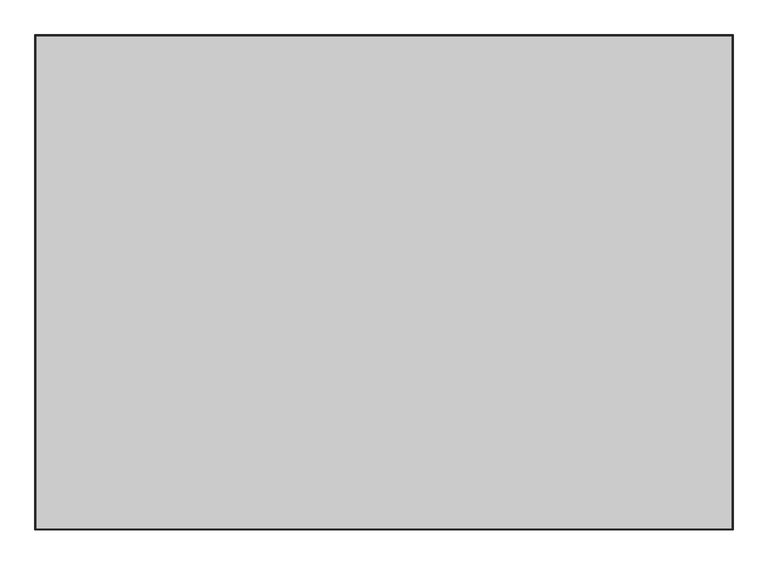
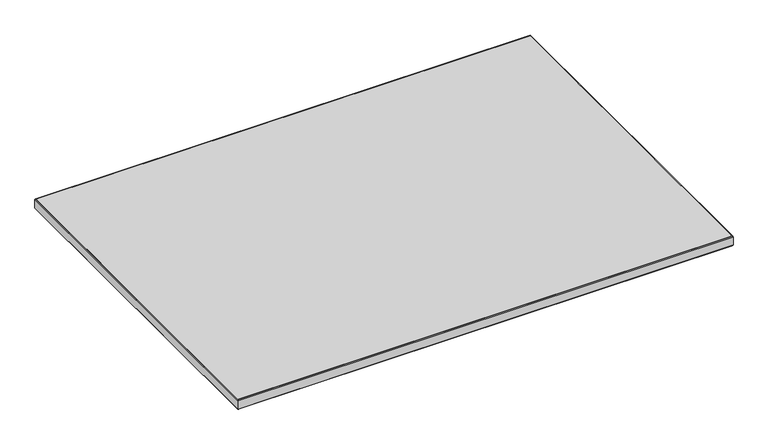
"""IFC4 building model written with IfcOpenShell, lengths in millimetres: furniture geometry."""

from ifc_helpers import new_model, si_unit, frame, origin, place, context, project, spatial, polyline, outline, extrude, faceted_brep, source, transform, mapped, element, save


def furniture_cc5f0c26(model_context):
    return source(origin(), model_context, "Body", "SolidModel", [
        extrude(outline(polyline([(1243.2029661, 73.1697824), (1243.2029661, -824.4662176), (-25.2476031, -824.4662176), (-25.2476031, 73.1697824), (1243.2029661, 73.1697824)])), frame((0.0, 0.0, 711.1999758), z_axis=(0.0, 0.0, 1.0), x_axis=(1.0, 0.0, 0.0)), (0.0, 0.0, 1.0), 26.9240107),
        faceted_brep([(1244.649246, 74.6160623, 737.5381937), (1245.2349661, 75.2017824, 736.1240358), (-27.2796031, 75.2017824, 736.1240358), (-26.693883, 74.6160623, 737.5381937), (1243.2029661, 73.1697824, 738.1372617), (-25.2476031, 73.1697824, 738.1372617), (1243.2029661, 73.1697824, 711.1867005), (-25.2476031, 73.1697824, 711.1867005), (1244.649246, 74.6160623, 711.7857685), (-26.693883, 74.6160623, 711.7857685), (1245.2349661, 75.2017824, 713.199999), (-27.2796031, 75.2017824, 713.199999), (-27.2796031, -826.4982176, 736.1240358), (-26.693883, -825.9124975, 737.5381937), (-25.2476031, -824.4662176, 738.1372617), (-25.2476031, -824.4662176, 711.1867005), (-26.693883, -825.9124975, 711.7857685), (-27.2796031, -826.4982176, 713.199999), (1245.2349661, -826.4982176, 736.1240358), (1244.649246, -825.9124975, 737.5381937), (1243.2029661, -824.4662176, 738.1372617), (1243.2029661, -824.4662176, 711.1867005), (1244.649246, -825.9124975, 711.7857685), (1245.2349661, -826.4982176, 713.199999)], [[[0, 1, 2, 3]], [[4, 0, 3, 5]], [[6, 4, 5, 7]], [[8, 6, 7, 9]], [[10, 8, 9, 11]], [[1, 10, 11, 2]], [[3, 2, 12, 13]], [[5, 3, 13, 14]], [[7, 5, 14, 15]], [[9, 7, 15, 16]], [[11, 9, 16, 17]], [[2, 11, 17, 12]], [[13, 12, 18, 19]], [[14, 13, 19, 20]], [[15, 14, 20, 21]], [[16, 15, 21, 22]], [[17, 16, 22, 23]], [[12, 17, 23, 18]], [[19, 18, 1, 0]], [[20, 19, 0, 4]], [[21, 20, 4, 6]], [[22, 21, 6, 8]], [[23, 22, 8, 10]], [[18, 23, 10, 1]]]),
    ])


if __name__ == "__main__":
    model = new_model("IFC4")
    model_context = context("Model", 3, world=origin())
    ifc_project = project(units=[si_unit("LENGTHUNIT", "METRE", prefix="MILLI")], contexts=[model_context])
    site = spatial("IfcSite", under=ifc_project)
    building = spatial("IfcBuilding", under=site)
    placement = place(None, origin())
    furniture_shape = furniture_cc5f0c26(model_context)
    element("IfcFurniture", 1, at=placement, inside=building, context=model_context, shape_type="MappedRepresentation", body=[
        mapped(furniture_shape, transform((0.0, 0.0, 0.0), x_axis=(1.0, 0.0, 0.0), y_axis=(0.0, 1.0, 0.0), z_axis=(0.0, 0.0, 1.0))),
    ])
    save(model, "model.ifc")
